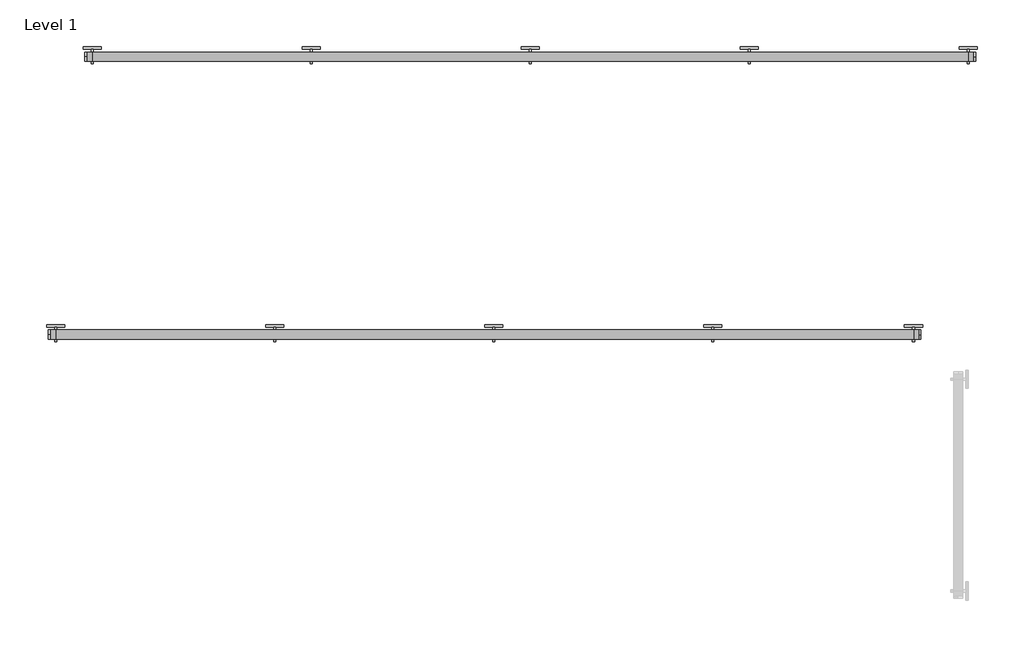
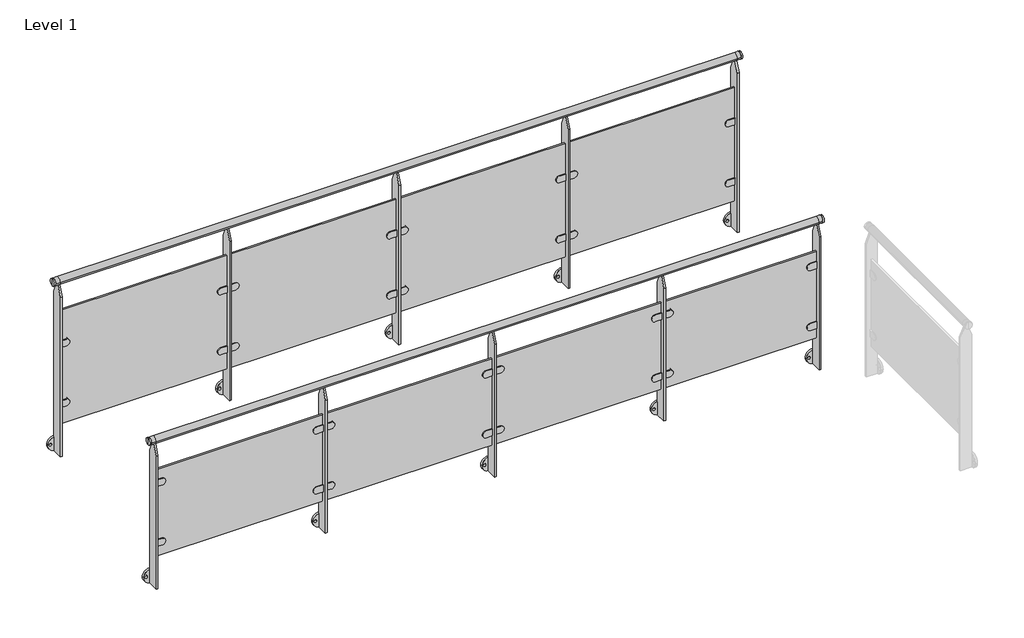
# One storey, part 1 of 16: 2 railings.
"""IFC4 building model written with IfcOpenShell, lengths in millimetres."""

from ifc_helpers import new_model, si_unit, point, frame, frame_2d, origin, place, context, project, spatial, polyline, circle_curve, trimmed, segment, composite_curve, outline, extrude, element, save
from ifc_brep_helpers import plane_surface, cylinder_surface, advanced_brep

model = new_model("IFC4")

# Units and contexts
model_context = context("Model", 3, world=origin())
ifc_project = project(units=[si_unit("LENGTHUNIT", "METRE", prefix="MILLI")], contexts=[model_context])

# Site, building, storey
site = spatial("IfcSite", under=ifc_project)
building = spatial("IfcBuilding", under=site)
storey = spatial("IfcBuildingStorey", under=building, Name="Level 1", Elevation=0.0)

# Railings
placement = place(None, origin())
element("IfcRailing", 1, at=placement, inside=storey, context=model_context, shape_type="SolidModel", body=[
    advanced_brep(
    [(24390.6479588, -13213.253682, 975.0), (24390.6479588, -13213.253682, 1000.0), (24390.6479588, -13213.253682, 950.0), (24400.6479588, -13213.253682, 950.0), (24400.6479588, -13213.253682, 1000.0), (24400.6479588, -13213.253682, 975.0)],
    [
        (0, 1),
        (1, 2, circle_curve(frame((24390.6479588, -13213.253682, 975.0), z_axis=(-1.0, 0.0, 0.0), x_axis=(0.0, 0.0, 1.0)), 25.0)),
        (2, 0),
        (2, 1, circle_curve(frame((24390.6479588, -13213.253682, 975.0), z_axis=(-1.0, 0.0, 0.0), x_axis=(0.0, 0.0, 1.0)), 25.0)),
        (3, 4, circle_curve(frame((24400.6479588, -13213.253682, 975.0), z_axis=(1.0, 0.0, 0.0), x_axis=(0.0, 0.0, 1.0)), 25.0)),
        (4, 5),
        (5, 3),
        (4, 3, circle_curve(frame((24400.6479588, -13213.253682, 975.0), z_axis=(1.0, 0.0, 0.0), x_axis=(0.0, 0.0, 1.0)), 25.0)),
        (1, 4),
        (3, 2),
    ],
    [
        plane_surface(frame((24390.6479588, -13213.253682, 975.0), z_axis=(-1.0, 0.0, 0.0), x_axis=(0.0, 0.0, 1.0))),
        plane_surface(frame((24400.6479588, -13213.253682, 975.0), z_axis=(1.0, 0.0, 0.0), x_axis=(0.0, 0.0, 1.0))),
        cylinder_surface(frame((24375.6479588, -13213.253682, 975.0), z_axis=(-1.0, 0.0, 0.0), x_axis=(0.0, 0.0, 1.0)), 25.0),
    ],
    [
        (0, [[1, 2, 3]]),
        (0, [[-3, 4, -1]]),
        (1, [[5, 6, 7]]),
        (1, [[8, -7, -6]]),
        (2, [[-2, 9, -5, 10]]),
        (2, [[-4, -10, -8, -9]]),
    ],
),
    advanced_brep(
    [(19630.6479588, -13213.253682, 975.0), (19630.6479588, -13213.253682, 1000.0), (19630.6479588, -13213.253682, 950.0), (19620.6479588, -13213.253682, 950.0), (19620.6479588, -13213.253682, 1000.0), (19620.6479588, -13213.253682, 975.0)],
    [
        (0, 1),
        (1, 2, circle_curve(frame((19630.6479588, -13213.253682, 975.0), z_axis=(1.0, 0.0, 0.0), x_axis=(0.0, 0.0, 1.0)), 25.0)),
        (2, 0),
        (2, 1, circle_curve(frame((19630.6479588, -13213.253682, 975.0), z_axis=(1.0, 0.0, 0.0), x_axis=(0.0, 0.0, 1.0)), 25.0)),
        (3, 4, circle_curve(frame((19620.6479588, -13213.253682, 975.0), z_axis=(-1.0, 0.0, 0.0), x_axis=(0.0, 0.0, 1.0)), 25.0)),
        (4, 5),
        (5, 3),
        (4, 3, circle_curve(frame((19620.6479588, -13213.253682, 975.0), z_axis=(-1.0, 0.0, 0.0), x_axis=(0.0, 0.0, 1.0)), 25.0)),
        (1, 4),
        (3, 2),
    ],
    [
        plane_surface(frame((19630.6479588, -13213.253682, 975.0), z_axis=(1.0, 0.0, 0.0), x_axis=(0.0, 0.0, 1.0))),
        plane_surface(frame((19620.6479588, -13213.253682, 975.0), z_axis=(-1.0, 0.0, 0.0), x_axis=(0.0, 0.0, 1.0))),
        cylinder_surface(frame((19645.6479588, -13213.253682, 975.0), z_axis=(1.0, 0.0, 0.0), x_axis=(0.0, 0.0, 1.0)), 25.0),
    ],
    [
        (0, [[1, 2, 3]]),
        (0, [[-3, 4, -1]]),
        (1, [[5, 6, 7]]),
        (1, [[8, -7, -6]]),
        (2, [[-2, 9, -5, 10]]),
        (2, [[-4, -10, -8, -9]]),
    ],
),
    advanced_brep(
    [(19630.6479588, -13238.253682, 975.0), (19630.6479588, -13188.253682, 975.0), (19660.6479588, -13238.253682, 975.0), (19660.6479588, -13188.253682, 975.0), (24360.6479588, -13238.253682, 975.0), (24360.6479588, -13188.253682, 975.0), (24390.6479588, -13238.253682, 975.0), (24390.6479588, -13188.253682, 975.0)],
    [
        (0, 1, circle_curve(frame((19630.6479588, -13213.253682, 975.0), z_axis=(-1.0, 0.0, 0.0), x_axis=(0.0, 1.0, 0.0)), 25.0)),
        (1, 0, circle_curve(frame((19630.6479588, -13213.253682, 975.0), z_axis=(-1.0, 0.0, 0.0), x_axis=(0.0, 1.0, 0.0)), 25.0)),
        (0, 2),
        (2, 3, circle_curve(frame((19660.6479588, -13213.253682, 975.0), z_axis=(-1.0, 0.0, 0.0), x_axis=(0.0, 1.0, 0.0)), 25.0)),
        (3, 1),
        (3, 2, circle_curve(frame((19660.6479588, -13213.253682, 975.0), z_axis=(-1.0, 0.0, 0.0), x_axis=(0.0, 1.0, 0.0)), 25.0)),
        (2, 4),
        (4, 5, circle_curve(frame((24360.6479588, -13213.253682, 975.0), z_axis=(-1.0, 0.0, 0.0), x_axis=(0.0, 1.0, 0.0)), 25.0)),
        (5, 3),
        (5, 4, circle_curve(frame((24360.6479588, -13213.253682, 975.0), z_axis=(-1.0, 0.0, 0.0), x_axis=(0.0, 1.0, 0.0)), 25.0)),
        (6, 7, circle_curve(frame((24390.6479588, -13213.253682, 975.0), z_axis=(1.0, 0.0, 0.0), x_axis=(0.0, 1.0, 0.0)), 25.0)),
        (7, 6, circle_curve(frame((24390.6479588, -13213.253682, 975.0), z_axis=(1.0, 0.0, 0.0), x_axis=(0.0, 1.0, 0.0)), 25.0)),
        (4, 6),
        (7, 5),
    ],
    [
        plane_surface(frame((19630.6479588, -13213.253682, 1000.0), z_axis=(-1.0, 0.0, 0.0), x_axis=(0.0, 1.0, 0.0))),
        cylinder_surface(frame((19630.6479588, -13213.253682, 975.0), z_axis=(-1.0, 0.0, 0.0), x_axis=(0.0, 1.0, 0.0)), 25.0),
        cylinder_surface(frame((19660.6479588, -13213.253682, 975.0), z_axis=(-1.0, 0.0, 0.0), x_axis=(0.0, 1.0, 0.0)), 25.0),
        plane_surface(frame((24390.6479588, -13213.253682, 1000.0), z_axis=(1.0, 0.0, 0.0), x_axis=(0.0, 1.0, 0.0))),
        cylinder_surface(frame((24360.6479588, -13213.253682, 975.0), z_axis=(-1.0, 0.0, 0.0), x_axis=(0.0, 1.0, 0.0)), 25.0),
    ],
    [
        (0, [[1, 2]]),
        (1, [[-1, 3, 4, 5]]),
        (1, [[-2, -5, 6, -3]]),
        (2, [[-4, 7, 8, 9]]),
        (2, [[-6, -9, 10, -7]]),
        (3, [[11, 12]]),
        (4, [[-8, 13, -12, 14]]),
        (4, [[-10, -14, -11, -13]]),
    ],
),
    extrude(outline(polyline([(19660.6479588, -13219.253682), (19660.6479588, -13207.253682), (24360.6479588, -13207.253682), (24360.6479588, -13219.253682), (19660.6479588, -13219.253682)])), frame((0.0, 0.0, 100.0), z_axis=(0.0, 0.0, 1.0), x_axis=(1.0, 0.0, 0.0)), (0.0, 0.0, 1.0), 650.0),
    extrude(outline(composite_curve([segment(trimmed(circle_curve(frame_2d((200.0, 23311.6479588)), 25.0), [point((175.0, 23311.6479588))], [point((225.0, 23311.6479588))], False, "CARTESIAN"), True, "CONTINUOUS"), segment(polyline([(225.0, 23311.6479588), (225.0, 23266.6479588), (175.0, 23266.6479588), (175.0, 23311.6479588)]), True, "CONTINUOUS")], self_intersect=False)), frame((0.0, -13225.9937932, 0.0), z_axis=(0.0, 1.0, 0.0), x_axis=(0.0, 0.0, 1.0)), (0.0, 0.0, 1.0), 25.4802223),
    extrude(outline(composite_curve([segment(trimmed(circle_curve(frame_2d((650.0, 23311.6479588)), 25.0), [point((625.0, 23311.6479588))], [point((675.0, 23311.6479588))], False, "CARTESIAN"), True, "CONTINUOUS"), segment(polyline([(675.0, 23311.6479588), (675.0, 23266.6479588), (625.0, 23266.6479588), (625.0, 23311.6479588)]), True, "CONTINUOUS")], self_intersect=False)), frame((0.0, -13225.9937932, 0.0), z_axis=(0.0, 1.0, 0.0), x_axis=(0.0, 0.0, 1.0)), (0.0, 0.0, 1.0), 25.4802223),
    extrude(outline(composite_curve([segment(polyline([(175.0, 23209.6479588), (175.0, 23254.6479588), (225.0, 23254.6479588), (225.0, 23209.6479588)]), True, "CONTINUOUS"), segment(trimmed(circle_curve(frame_2d((200.0, 23209.6479588)), 25.0), [point((225.0, 23209.6479588))], [point((175.0, 23209.6479588))], False, "CARTESIAN"), True, "CONTINUOUS")], self_intersect=False)), frame((0.0, -13225.9937932, 0.0), z_axis=(0.0, 1.0, 0.0), x_axis=(0.0, 0.0, 1.0)), (0.0, 0.0, 1.0), 25.4802223),
    extrude(outline(composite_curve([segment(polyline([(625.0, 23209.6479588), (625.0, 23254.6479588), (675.0, 23254.6479588), (675.0, 23209.6479588)]), True, "CONTINUOUS"), segment(trimmed(circle_curve(frame_2d((650.0, 23209.6479588)), 25.0), [point((675.0, 23209.6479588))], [point((625.0, 23209.6479588))], False, "CARTESIAN"), True, "CONTINUOUS")], self_intersect=False)), frame((0.0, -13225.9937932, 0.0), z_axis=(0.0, 1.0, 0.0), x_axis=(0.0, 0.0, 1.0)), (0.0, 0.0, 1.0), 25.4802223),
    extrude(outline(polyline([(-13253.253682, -120.0), (-13253.253682, 875.0), (-13223.253682, 950.0), (-13203.253682, 950.0), (-13173.253682, 875.0), (-13173.253682, -120.0), (-13253.253682, -120.0)])), frame((23254.6479588, 0.0, 0.0), z_axis=(1.0, 0.0, 0.0), x_axis=(0.0, 1.0, 0.0)), (0.0, 0.0, 1.0), 12.0),
    extrude(outline(composite_curve([segment(trimmed(circle_curve(frame_2d((-70.0, 23260.6479588)), 50.0), [point((-70.0, 23310.6479588))], [point((-70.0, 23210.6479588))], False, "CARTESIAN"), True, "CONTINUOUS"), segment(trimmed(circle_curve(frame_2d((-70.0, 23260.6479588)), 50.0), [point((-70.0, 23210.6479588))], [point((-70.0, 23310.6479588))], False, "CARTESIAN"), True, "CONTINUOUS")], self_intersect=False), holes=[composite_curve([segment(trimmed(circle_curve(frame_2d((-70.0, 23291.6479588)), 9.0), [point((-70.0, 23300.6479588))], [point((-70.0, 23282.6479588))], True, "CARTESIAN"), True, "CONTINUOUS"), segment(trimmed(circle_curve(frame_2d((-70.0, 23291.6479588)), 9.0), [point((-70.0, 23282.6479588))], [point((-70.0, 23300.6479588))], True, "CARTESIAN"), True, "CONTINUOUS")], self_intersect=False), composite_curve([segment(trimmed(circle_curve(frame_2d((-70.0, 23229.6479588)), 9.0), [point((-70.0, 23238.6479588))], [point((-70.0, 23220.6479588))], True, "CARTESIAN"), True, "CONTINUOUS"), segment(trimmed(circle_curve(frame_2d((-70.0, 23229.6479588)), 9.0), [point((-70.0, 23220.6479588))], [point((-70.0, 23238.6479588))], True, "CARTESIAN"), True, "CONTINUOUS")], self_intersect=False)]), frame((0.0, -13173.253682, 0.0), z_axis=(0.0, 1.0, 0.0), x_axis=(0.0, 0.0, 1.0)), (0.0, 0.0, 1.0), 15.0),
    extrude(outline(composite_curve([segment(trimmed(circle_curve(frame_2d((200.0, 22111.6479588)), 25.0), [point((175.0, 22111.6479588))], [point((225.0, 22111.6479588))], False, "CARTESIAN"), True, "CONTINUOUS"), segment(polyline([(225.0, 22111.6479588), (225.0, 22066.6479588), (175.0, 22066.6479588), (175.0, 22111.6479588)]), True, "CONTINUOUS")], self_intersect=False)), frame((0.0, -13225.9937932, 0.0), z_axis=(0.0, 1.0, 0.0), x_axis=(0.0, 0.0, 1.0)), (0.0, 0.0, 1.0), 25.4802223),
    extrude(outline(composite_curve([segment(trimmed(circle_curve(frame_2d((650.0, 22111.6479588)), 25.0), [point((625.0, 22111.6479588))], [point((675.0, 22111.6479588))], False, "CARTESIAN"), True, "CONTINUOUS"), segment(polyline([(675.0, 22111.6479588), (675.0, 22066.6479588), (625.0, 22066.6479588), (625.0, 22111.6479588)]), True, "CONTINUOUS")], self_intersect=False)), frame((0.0, -13225.9937932, 0.0), z_axis=(0.0, 1.0, 0.0), x_axis=(0.0, 0.0, 1.0)), (0.0, 0.0, 1.0), 25.4802223),
    extrude(outline(composite_curve([segment(polyline([(175.0, 22009.6479588), (175.0, 22054.6479588), (225.0, 22054.6479588), (225.0, 22009.6479588)]), True, "CONTINUOUS"), segment(trimmed(circle_curve(frame_2d((200.0, 22009.6479588)), 25.0), [point((225.0, 22009.6479588))], [point((175.0, 22009.6479588))], False, "CARTESIAN"), True, "CONTINUOUS")], self_intersect=False)), frame((0.0, -13225.9937932, 0.0), z_axis=(0.0, 1.0, 0.0), x_axis=(0.0, 0.0, 1.0)), (0.0, 0.0, 1.0), 25.4802223),
    extrude(outline(composite_curve([segment(polyline([(625.0, 22009.6479588), (625.0, 22054.6479588), (675.0, 22054.6479588), (675.0, 22009.6479588)]), True, "CONTINUOUS"), segment(trimmed(circle_curve(frame_2d((650.0, 22009.6479588)), 25.0), [point((675.0, 22009.6479588))], [point((625.0, 22009.6479588))], False, "CARTESIAN"), True, "CONTINUOUS")], self_intersect=False)), frame((0.0, -13225.9937932, 0.0), z_axis=(0.0, 1.0, 0.0), x_axis=(0.0, 0.0, 1.0)), (0.0, 0.0, 1.0), 25.4802223),
    extrude(outline(polyline([(-13253.253682, -120.0), (-13253.253682, 875.0), (-13223.253682, 950.0), (-13203.253682, 950.0), (-13173.253682, 875.0), (-13173.253682, -120.0), (-13253.253682, -120.0)])), frame((22054.6479588, 0.0, 0.0), z_axis=(1.0, 0.0, 0.0), x_axis=(0.0, 1.0, 0.0)), (0.0, 0.0, 1.0), 12.0),
    extrude(outline(composite_curve([segment(trimmed(circle_curve(frame_2d((-70.0, 22060.6479588)), 50.0), [point((-70.0, 22110.6479588))], [point((-70.0, 22010.6479588))], False, "CARTESIAN"), True, "CONTINUOUS"), segment(trimmed(circle_curve(frame_2d((-70.0, 22060.6479588)), 50.0), [point((-70.0, 22010.6479588))], [point((-70.0, 22110.6479588))], False, "CARTESIAN"), True, "CONTINUOUS")], self_intersect=False), holes=[composite_curve([segment(trimmed(circle_curve(frame_2d((-70.0, 22091.6479588)), 9.0), [point((-70.0, 22100.6479588))], [point((-70.0, 22082.6479588))], True, "CARTESIAN"), True, "CONTINUOUS"), segment(trimmed(circle_curve(frame_2d((-70.0, 22091.6479588)), 9.0), [point((-70.0, 22082.6479588))], [point((-70.0, 22100.6479588))], True, "CARTESIAN"), True, "CONTINUOUS")], self_intersect=False), composite_curve([segment(trimmed(circle_curve(frame_2d((-70.0, 22029.6479588)), 9.0), [point((-70.0, 22038.6479588))], [point((-70.0, 22020.6479588))], True, "CARTESIAN"), True, "CONTINUOUS"), segment(trimmed(circle_curve(frame_2d((-70.0, 22029.6479588)), 9.0), [point((-70.0, 22020.6479588))], [point((-70.0, 22038.6479588))], True, "CARTESIAN"), True, "CONTINUOUS")], self_intersect=False)]), frame((0.0, -13173.253682, 0.0), z_axis=(0.0, 1.0, 0.0), x_axis=(0.0, 0.0, 1.0)), (0.0, 0.0, 1.0), 15.0),
    extrude(outline(composite_curve([segment(trimmed(circle_curve(frame_2d((200.0, 20911.6479588)), 25.0), [point((175.0, 20911.6479588))], [point((225.0, 20911.6479588))], False, "CARTESIAN"), True, "CONTINUOUS"), segment(polyline([(225.0, 20911.6479588), (225.0, 20866.6479588), (175.0, 20866.6479588), (175.0, 20911.6479588)]), True, "CONTINUOUS")], self_intersect=False)), frame((0.0, -13225.9937932, 0.0), z_axis=(0.0, 1.0, 0.0), x_axis=(0.0, 0.0, 1.0)), (0.0, 0.0, 1.0), 25.4802223),
    extrude(outline(composite_curve([segment(trimmed(circle_curve(frame_2d((650.0, 20911.6479588)), 25.0), [point((625.0, 20911.6479588))], [point((675.0, 20911.6479588))], False, "CARTESIAN"), True, "CONTINUOUS"), segment(polyline([(675.0, 20911.6479588), (675.0, 20866.6479588), (625.0, 20866.6479588), (625.0, 20911.6479588)]), True, "CONTINUOUS")], self_intersect=False)), frame((0.0, -13225.9937932, 0.0), z_axis=(0.0, 1.0, 0.0), x_axis=(0.0, 0.0, 1.0)), (0.0, 0.0, 1.0), 25.4802223),
    extrude(outline(composite_curve([segment(polyline([(175.0, 20809.6479588), (175.0, 20854.6479588), (225.0, 20854.6479588), (225.0, 20809.6479588)]), True, "CONTINUOUS"), segment(trimmed(circle_curve(frame_2d((200.0, 20809.6479588)), 25.0), [point((225.0, 20809.6479588))], [point((175.0, 20809.6479588))], False, "CARTESIAN"), True, "CONTINUOUS")], self_intersect=False)), frame((0.0, -13225.9937932, 0.0), z_axis=(0.0, 1.0, 0.0), x_axis=(0.0, 0.0, 1.0)), (0.0, 0.0, 1.0), 25.4802223),
    extrude(outline(composite_curve([segment(polyline([(625.0, 20809.6479588), (625.0, 20854.6479588), (675.0, 20854.6479588), (675.0, 20809.6479588)]), True, "CONTINUOUS"), segment(trimmed(circle_curve(frame_2d((650.0, 20809.6479588)), 25.0), [point((675.0, 20809.6479588))], [point((625.0, 20809.6479588))], False, "CARTESIAN"), True, "CONTINUOUS")], self_intersect=False)), frame((0.0, -13225.9937932, 0.0), z_axis=(0.0, 1.0, 0.0), x_axis=(0.0, 0.0, 1.0)), (0.0, 0.0, 1.0), 25.4802223),
    extrude(outline(polyline([(-13253.253682, -120.0), (-13253.253682, 875.0), (-13223.253682, 950.0), (-13203.253682, 950.0), (-13173.253682, 875.0), (-13173.253682, -120.0), (-13253.253682, -120.0)])), frame((20854.6479588, 0.0, 0.0), z_axis=(1.0, 0.0, 0.0), x_axis=(0.0, 1.0, 0.0)), (0.0, 0.0, 1.0), 12.0),
    extrude(outline(composite_curve([segment(trimmed(circle_curve(frame_2d((-70.0, 20860.6479588)), 50.0), [point((-70.0, 20910.6479588))], [point((-70.0, 20810.6479588))], False, "CARTESIAN"), True, "CONTINUOUS"), segment(trimmed(circle_curve(frame_2d((-70.0, 20860.6479588)), 50.0), [point((-70.0, 20810.6479588))], [point((-70.0, 20910.6479588))], False, "CARTESIAN"), True, "CONTINUOUS")], self_intersect=False), holes=[composite_curve([segment(trimmed(circle_curve(frame_2d((-70.0, 20891.6479588)), 9.0), [point((-70.0, 20900.6479588))], [point((-70.0, 20882.6479588))], True, "CARTESIAN"), True, "CONTINUOUS"), segment(trimmed(circle_curve(frame_2d((-70.0, 20891.6479588)), 9.0), [point((-70.0, 20882.6479588))], [point((-70.0, 20900.6479588))], True, "CARTESIAN"), True, "CONTINUOUS")], self_intersect=False), composite_curve([segment(trimmed(circle_curve(frame_2d((-70.0, 20829.6479588)), 9.0), [point((-70.0, 20838.6479588))], [point((-70.0, 20820.6479588))], True, "CARTESIAN"), True, "CONTINUOUS"), segment(trimmed(circle_curve(frame_2d((-70.0, 20829.6479588)), 9.0), [point((-70.0, 20820.6479588))], [point((-70.0, 20838.6479588))], True, "CARTESIAN"), True, "CONTINUOUS")], self_intersect=False)]), frame((0.0, -13173.253682, 0.0), z_axis=(0.0, 1.0, 0.0), x_axis=(0.0, 0.0, 1.0)), (0.0, 0.0, 1.0), 15.0),
    extrude(outline(composite_curve([segment(polyline([(175.0, 24309.6479588), (175.0, 24354.6479588), (225.0, 24354.6479588), (225.0, 24309.6479588)]), True, "CONTINUOUS"), segment(trimmed(circle_curve(frame_2d((200.0, 24309.6479588)), 25.0), [point((225.0, 24309.6479588))], [point((175.0, 24309.6479588))], False, "CARTESIAN"), True, "CONTINUOUS")], self_intersect=False)), frame((0.0, -13225.9937932, 0.0), z_axis=(0.0, 1.0, 0.0), x_axis=(0.0, 0.0, 1.0)), (0.0, 0.0, 1.0), 25.4802223),
    extrude(outline(composite_curve([segment(polyline([(625.0, 24309.6479588), (625.0, 24354.6479588), (675.0, 24354.6479588), (675.0, 24309.6479588)]), True, "CONTINUOUS"), segment(trimmed(circle_curve(frame_2d((650.0, 24309.6479588)), 25.0), [point((675.0, 24309.6479588))], [point((625.0, 24309.6479588))], False, "CARTESIAN"), True, "CONTINUOUS")], self_intersect=False)), frame((0.0, -13225.9937932, 0.0), z_axis=(0.0, 1.0, 0.0), x_axis=(0.0, 0.0, 1.0)), (0.0, 0.0, 1.0), 25.4802223),
    extrude(outline(polyline([(-13253.253682, -120.0), (-13253.253682, 875.0), (-13223.253682, 950.0), (-13203.253682, 950.0), (-13173.253682, 875.0), (-13173.253682, -120.0), (-13253.253682, -120.0)])), frame((24354.6479588, 0.0, 0.0), z_axis=(1.0, 0.0, 0.0), x_axis=(0.0, 1.0, 0.0)), (0.0, 0.0, 1.0), 12.0),
    extrude(outline(composite_curve([segment(trimmed(circle_curve(frame_2d((-70.0, 24360.6479588)), 50.0), [point((-70.0, 24410.6479588))], [point((-70.0, 24310.6479588))], False, "CARTESIAN"), True, "CONTINUOUS"), segment(trimmed(circle_curve(frame_2d((-70.0, 24360.6479588)), 50.0), [point((-70.0, 24310.6479588))], [point((-70.0, 24410.6479588))], False, "CARTESIAN"), True, "CONTINUOUS")], self_intersect=False), holes=[composite_curve([segment(trimmed(circle_curve(frame_2d((-70.0, 24391.6479588)), 9.0), [point((-70.0, 24400.6479588))], [point((-70.0, 24382.6479588))], True, "CARTESIAN"), True, "CONTINUOUS"), segment(trimmed(circle_curve(frame_2d((-70.0, 24391.6479588)), 9.0), [point((-70.0, 24382.6479588))], [point((-70.0, 24400.6479588))], True, "CARTESIAN"), True, "CONTINUOUS")], self_intersect=False), composite_curve([segment(trimmed(circle_curve(frame_2d((-70.0, 24329.6479588)), 9.0), [point((-70.0, 24338.6479588))], [point((-70.0, 24320.6479588))], True, "CARTESIAN"), True, "CONTINUOUS"), segment(trimmed(circle_curve(frame_2d((-70.0, 24329.6479588)), 9.0), [point((-70.0, 24320.6479588))], [point((-70.0, 24338.6479588))], True, "CARTESIAN"), True, "CONTINUOUS")], self_intersect=False)]), frame((0.0, -13173.253682, 0.0), z_axis=(0.0, 1.0, 0.0), x_axis=(0.0, 0.0, 1.0)), (0.0, 0.0, 1.0), 15.0),
    extrude(outline(composite_curve([segment(trimmed(circle_curve(frame_2d((200.0, 19711.6479588)), 25.0), [point((175.0, 19711.6479588))], [point((225.0, 19711.6479588))], False, "CARTESIAN"), True, "CONTINUOUS"), segment(polyline([(225.0, 19711.6479588), (225.0, 19666.6479588), (175.0, 19666.6479588), (175.0, 19711.6479588)]), True, "CONTINUOUS")], self_intersect=False)), frame((0.0, -13225.9937932, 0.0), z_axis=(0.0, 1.0, 0.0), x_axis=(0.0, 0.0, 1.0)), (0.0, 0.0, 1.0), 25.4802223),
    extrude(outline(composite_curve([segment(trimmed(circle_curve(frame_2d((650.0, 19711.6479588)), 25.0), [point((625.0, 19711.6479588))], [point((675.0, 19711.6479588))], False, "CARTESIAN"), True, "CONTINUOUS"), segment(polyline([(675.0, 19711.6479588), (675.0, 19666.6479588), (625.0, 19666.6479588), (625.0, 19711.6479588)]), True, "CONTINUOUS")], self_intersect=False)), frame((0.0, -13225.9937932, 0.0), z_axis=(0.0, 1.0, 0.0), x_axis=(0.0, 0.0, 1.0)), (0.0, 0.0, 1.0), 25.4802223),
    extrude(outline(polyline([(-13253.253682, -120.0), (-13253.253682, 875.0), (-13223.253682, 950.0), (-13203.253682, 950.0), (-13173.253682, 875.0), (-13173.253682, -120.0), (-13253.253682, -120.0)])), frame((19654.6479588, 0.0, 0.0), z_axis=(1.0, 0.0, 0.0), x_axis=(0.0, 1.0, 0.0)), (0.0, 0.0, 1.0), 12.0),
    extrude(outline(composite_curve([segment(trimmed(circle_curve(frame_2d((-70.0, 19660.6479588)), 50.0), [point((-70.0, 19710.6479588))], [point((-70.0, 19610.6479588))], False, "CARTESIAN"), True, "CONTINUOUS"), segment(trimmed(circle_curve(frame_2d((-70.0, 19660.6479588)), 50.0), [point((-70.0, 19610.6479588))], [point((-70.0, 19710.6479588))], False, "CARTESIAN"), True, "CONTINUOUS")], self_intersect=False), holes=[composite_curve([segment(trimmed(circle_curve(frame_2d((-70.0, 19691.6479588)), 9.0), [point((-70.0, 19700.6479588))], [point((-70.0, 19682.6479588))], True, "CARTESIAN"), True, "CONTINUOUS"), segment(trimmed(circle_curve(frame_2d((-70.0, 19691.6479588)), 9.0), [point((-70.0, 19682.6479588))], [point((-70.0, 19700.6479588))], True, "CARTESIAN"), True, "CONTINUOUS")], self_intersect=False), composite_curve([segment(trimmed(circle_curve(frame_2d((-70.0, 19629.6479588)), 9.0), [point((-70.0, 19638.6479588))], [point((-70.0, 19620.6479588))], True, "CARTESIAN"), True, "CONTINUOUS"), segment(trimmed(circle_curve(frame_2d((-70.0, 19629.6479588)), 9.0), [point((-70.0, 19620.6479588))], [point((-70.0, 19638.6479588))], True, "CARTESIAN"), True, "CONTINUOUS")], self_intersect=False)]), frame((0.0, -13173.253682, 0.0), z_axis=(0.0, 1.0, 0.0), x_axis=(0.0, 0.0, 1.0)), (0.0, 0.0, 1.0), 15.0),
])
element("IfcRailing", 2, at=placement, inside=storey, context=model_context, shape_type="SolidModel", body=[
    advanced_brep(
    [(24690.6479588, -11690.6687579, 1175.0), (24690.6479588, -11690.6687579, 1200.0), (24690.6479588, -11690.6687579, 1150.0), (24700.6479588, -11690.6687579, 1150.0), (24700.6479588, -11690.6687579, 1200.0), (24700.6479588, -11690.6687579, 1175.0)],
    [
        (0, 1),
        (1, 2, circle_curve(frame((24690.6479588, -11690.6687579, 1175.0), z_axis=(-1.0, 0.0, 0.0), x_axis=(0.0, 0.0, 1.0)), 25.0)),
        (2, 0),
        (2, 1, circle_curve(frame((24690.6479588, -11690.6687579, 1175.0), z_axis=(-1.0, 0.0, 0.0), x_axis=(0.0, 0.0, 1.0)), 25.0)),
        (3, 4, circle_curve(frame((24700.6479588, -11690.6687579, 1175.0), z_axis=(1.0, 0.0, 0.0), x_axis=(0.0, 0.0, 1.0)), 25.0)),
        (4, 5),
        (5, 3),
        (4, 3, circle_curve(frame((24700.6479588, -11690.6687579, 1175.0), z_axis=(1.0, 0.0, 0.0), x_axis=(0.0, 0.0, 1.0)), 25.0)),
        (1, 4),
        (3, 2),
    ],
    [
        plane_surface(frame((24690.6479588, -11690.6687579, 1175.0), z_axis=(-1.0, 0.0, 0.0), x_axis=(0.0, 0.0, 1.0))),
        plane_surface(frame((24700.6479588, -11690.6687579, 1175.0), z_axis=(1.0, 0.0, 0.0), x_axis=(0.0, 0.0, 1.0))),
        cylinder_surface(frame((24675.6479588, -11690.6687579, 1175.0), z_axis=(-1.0, 0.0, 0.0), x_axis=(0.0, 0.0, 1.0)), 25.0),
    ],
    [
        (0, [[1, 2, 3]]),
        (0, [[-3, 4, -1]]),
        (1, [[5, 6, 7]]),
        (1, [[8, -7, -6]]),
        (2, [[-2, 9, -5, 10]]),
        (2, [[-4, -10, -8, -9]]),
    ],
),
    advanced_brep(
    [(19830.6479588, -11690.6687579, 1175.0), (19830.6479588, -11690.6687579, 1200.0), (19830.6479588, -11690.6687579, 1150.0), (19820.6479588, -11690.6687579, 1150.0), (19820.6479588, -11690.6687579, 1200.0), (19820.6479588, -11690.6687579, 1175.0)],
    [
        (0, 1),
        (1, 2, circle_curve(frame((19830.6479588, -11690.6687579, 1175.0), z_axis=(1.0, 0.0, 0.0), x_axis=(0.0, 0.0, 1.0)), 25.0)),
        (2, 0),
        (2, 1, circle_curve(frame((19830.6479588, -11690.6687579, 1175.0), z_axis=(1.0, 0.0, 0.0), x_axis=(0.0, 0.0, 1.0)), 25.0)),
        (3, 4, circle_curve(frame((19820.6479588, -11690.6687579, 1175.0), z_axis=(-1.0, 0.0, 0.0), x_axis=(0.0, 0.0, 1.0)), 25.0)),
        (4, 5),
        (5, 3),
        (4, 3, circle_curve(frame((19820.6479588, -11690.6687579, 1175.0), z_axis=(-1.0, 0.0, 0.0), x_axis=(0.0, 0.0, 1.0)), 25.0)),
        (1, 4),
        (3, 2),
    ],
    [
        plane_surface(frame((19830.6479588, -11690.6687579, 1175.0), z_axis=(1.0, 0.0, 0.0), x_axis=(0.0, 0.0, 1.0))),
        plane_surface(frame((19820.6479588, -11690.6687579, 1175.0), z_axis=(-1.0, 0.0, 0.0), x_axis=(0.0, 0.0, 1.0))),
        cylinder_surface(frame((19845.6479588, -11690.6687579, 1175.0), z_axis=(1.0, 0.0, 0.0), x_axis=(0.0, 0.0, 1.0)), 25.0),
    ],
    [
        (0, [[1, 2, 3]]),
        (0, [[-3, 4, -1]]),
        (1, [[5, 6, 7]]),
        (1, [[8, -7, -6]]),
        (2, [[-2, 9, -5, 10]]),
        (2, [[-4, -10, -8, -9]]),
    ],
),
    advanced_brep(
    [(19830.6479588, -11715.6687579, 1175.0), (19830.6479588, -11665.6687579, 1175.0), (19860.6479588, -11715.6687579, 1175.0), (19860.6479588, -11665.6687579, 1175.0), (24660.6479588, -11715.6687579, 1175.0), (24660.6479588, -11665.6687579, 1175.0), (24690.6479588, -11715.6687579, 1175.0), (24690.6479588, -11665.6687579, 1175.0)],
    [
        (0, 1, circle_curve(frame((19830.6479588, -11690.6687579, 1175.0), z_axis=(-1.0, 0.0, 0.0), x_axis=(0.0, 1.0, 0.0)), 25.0)),
        (1, 0, circle_curve(frame((19830.6479588, -11690.6687579, 1175.0), z_axis=(-1.0, 0.0, 0.0), x_axis=(0.0, 1.0, 0.0)), 25.0)),
        (0, 2),
        (2, 3, circle_curve(frame((19860.6479588, -11690.6687579, 1175.0), z_axis=(-1.0, 0.0, 0.0), x_axis=(0.0, 1.0, 0.0)), 25.0)),
        (3, 1),
        (3, 2, circle_curve(frame((19860.6479588, -11690.6687579, 1175.0), z_axis=(-1.0, 0.0, 0.0), x_axis=(0.0, 1.0, 0.0)), 25.0)),
        (2, 4),
        (4, 5, circle_curve(frame((24660.6479588, -11690.6687579, 1175.0), z_axis=(-1.0, 0.0, 0.0), x_axis=(0.0, 1.0, 0.0)), 25.0)),
        (5, 3),
        (5, 4, circle_curve(frame((24660.6479588, -11690.6687579, 1175.0), z_axis=(-1.0, 0.0, 0.0), x_axis=(0.0, 1.0, 0.0)), 25.0)),
        (6, 7, circle_curve(frame((24690.6479588, -11690.6687579, 1175.0), z_axis=(1.0, 0.0, 0.0), x_axis=(0.0, 1.0, 0.0)), 25.0)),
        (7, 6, circle_curve(frame((24690.6479588, -11690.6687579, 1175.0), z_axis=(1.0, 0.0, 0.0), x_axis=(0.0, 1.0, 0.0)), 25.0)),
        (4, 6),
        (7, 5),
    ],
    [
        plane_surface(frame((19830.6479588, -11690.6687579, 1200.0), z_axis=(-1.0, 0.0, 0.0), x_axis=(0.0, 1.0, 0.0))),
        cylinder_surface(frame((19830.6479588, -11690.6687579, 1175.0), z_axis=(-1.0, 0.0, 0.0), x_axis=(0.0, 1.0, 0.0)), 25.0),
        cylinder_surface(frame((19860.6479588, -11690.6687579, 1175.0), z_axis=(-1.0, 0.0, 0.0), x_axis=(0.0, 1.0, 0.0)), 25.0),
        plane_surface(frame((24690.6479588, -11690.6687579, 1200.0), z_axis=(1.0, 0.0, 0.0), x_axis=(0.0, 1.0, 0.0))),
        cylinder_surface(frame((24660.6479588, -11690.6687579, 1175.0), z_axis=(-1.0, 0.0, 0.0), x_axis=(0.0, 1.0, 0.0)), 25.0),
    ],
    [
        (0, [[1, 2]]),
        (1, [[-1, 3, 4, 5]]),
        (1, [[-2, -5, 6, -3]]),
        (2, [[-4, 7, 8, 9]]),
        (2, [[-6, -9, 10, -7]]),
        (3, [[11, 12]]),
        (4, [[-8, 13, -12, 14]]),
        (4, [[-10, -14, -11, -13]]),
    ],
),
    extrude(outline(polyline([(19860.6479588, -11696.6687579), (19860.6479588, -11684.6687579), (24660.6479588, -11684.6687579), (24660.6479588, -11696.6687579), (19860.6479588, -11696.6687579)])), frame((0.0, 0.0, 100.0), z_axis=(0.0, 0.0, 1.0), x_axis=(1.0, 0.0, 0.0)), (0.0, 0.0, 1.0), 850.0),
    extrude(outline(composite_curve([segment(trimmed(circle_curve(frame_2d((250.0, 23511.6479588)), 25.0), [point((225.0, 23511.6479588))], [point((275.0, 23511.6479588))], False, "CARTESIAN"), True, "CONTINUOUS"), segment(polyline([(275.0, 23511.6479588), (275.0, 23466.6479588), (225.0, 23466.6479588), (225.0, 23511.6479588)]), True, "CONTINUOUS")], self_intersect=False)), frame((0.0, -11703.4088691, 0.0), z_axis=(0.0, 1.0, 0.0), x_axis=(0.0, 0.0, 1.0)), (0.0, 0.0, 1.0), 25.4802223),
    extrude(outline(composite_curve([segment(trimmed(circle_curve(frame_2d((700.0, 23511.6479588)), 25.0), [point((675.0, 23511.6479588))], [point((725.0, 23511.6479588))], False, "CARTESIAN"), True, "CONTINUOUS"), segment(polyline([(725.0, 23511.6479588), (725.0, 23466.6479588), (675.0, 23466.6479588), (675.0, 23511.6479588)]), True, "CONTINUOUS")], self_intersect=False)), frame((0.0, -11703.4088691, 0.0), z_axis=(0.0, 1.0, 0.0), x_axis=(0.0, 0.0, 1.0)), (0.0, 0.0, 1.0), 25.4802223),
    extrude(outline(composite_curve([segment(polyline([(225.0, 23409.6479588), (225.0, 23454.6479588), (275.0, 23454.6479588), (275.0, 23409.6479588)]), True, "CONTINUOUS"), segment(trimmed(circle_curve(frame_2d((250.0, 23409.6479588)), 25.0), [point((275.0, 23409.6479588))], [point((225.0, 23409.6479588))], False, "CARTESIAN"), True, "CONTINUOUS")], self_intersect=False)), frame((0.0, -11703.4088691, 0.0), z_axis=(0.0, 1.0, 0.0), x_axis=(0.0, 0.0, 1.0)), (0.0, 0.0, 1.0), 25.4802223),
    extrude(outline(composite_curve([segment(polyline([(675.0, 23409.6479588), (675.0, 23454.6479588), (725.0, 23454.6479588), (725.0, 23409.6479588)]), True, "CONTINUOUS"), segment(trimmed(circle_curve(frame_2d((700.0, 23409.6479588)), 25.0), [point((725.0, 23409.6479588))], [point((675.0, 23409.6479588))], False, "CARTESIAN"), True, "CONTINUOUS")], self_intersect=False)), frame((0.0, -11703.4088691, 0.0), z_axis=(0.0, 1.0, 0.0), x_axis=(0.0, 0.0, 1.0)), (0.0, 0.0, 1.0), 25.4802223),
    extrude(outline(polyline([(-11730.6687579, -120.0), (-11730.6687579, 1075.0), (-11700.6687579, 1150.0), (-11680.6687579, 1150.0), (-11650.6687579, 1075.0), (-11650.6687579, -120.0), (-11730.6687579, -120.0)])), frame((23454.6479588, 0.0, 0.0), z_axis=(1.0, 0.0, 0.0), x_axis=(0.0, 1.0, 0.0)), (0.0, 0.0, 1.0), 12.0),
    extrude(outline(composite_curve([segment(trimmed(circle_curve(frame_2d((-70.0, 23460.6479588)), 50.0), [point((-70.0, 23510.6479588))], [point((-70.0, 23410.6479588))], False, "CARTESIAN"), True, "CONTINUOUS"), segment(trimmed(circle_curve(frame_2d((-70.0, 23460.6479588)), 50.0), [point((-70.0, 23410.6479588))], [point((-70.0, 23510.6479588))], False, "CARTESIAN"), True, "CONTINUOUS")], self_intersect=False), holes=[composite_curve([segment(trimmed(circle_curve(frame_2d((-70.0, 23491.6479588)), 9.0), [point((-70.0, 23500.6479588))], [point((-70.0, 23482.6479588))], True, "CARTESIAN"), True, "CONTINUOUS"), segment(trimmed(circle_curve(frame_2d((-70.0, 23491.6479588)), 9.0), [point((-70.0, 23482.6479588))], [point((-70.0, 23500.6479588))], True, "CARTESIAN"), True, "CONTINUOUS")], self_intersect=False), composite_curve([segment(trimmed(circle_curve(frame_2d((-70.0, 23429.6479588)), 9.0), [point((-70.0, 23438.6479588))], [point((-70.0, 23420.6479588))], True, "CARTESIAN"), True, "CONTINUOUS"), segment(trimmed(circle_curve(frame_2d((-70.0, 23429.6479588)), 9.0), [point((-70.0, 23420.6479588))], [point((-70.0, 23438.6479588))], True, "CARTESIAN"), True, "CONTINUOUS")], self_intersect=False)]), frame((0.0, -11650.6687579, 0.0), z_axis=(0.0, 1.0, 0.0), x_axis=(0.0, 0.0, 1.0)), (0.0, 0.0, 1.0), 15.0),
    extrude(outline(composite_curve([segment(trimmed(circle_curve(frame_2d((250.0, 22311.6479588)), 25.0), [point((225.0, 22311.6479588))], [point((275.0, 22311.6479588))], False, "CARTESIAN"), True, "CONTINUOUS"), segment(polyline([(275.0, 22311.6479588), (275.0, 22266.6479588), (225.0, 22266.6479588), (225.0, 22311.6479588)]), True, "CONTINUOUS")], self_intersect=False)), frame((0.0, -11703.4088691, 0.0), z_axis=(0.0, 1.0, 0.0), x_axis=(0.0, 0.0, 1.0)), (0.0, 0.0, 1.0), 25.4802223),
    extrude(outline(composite_curve([segment(trimmed(circle_curve(frame_2d((700.0, 22311.6479588)), 25.0), [point((675.0, 22311.6479588))], [point((725.0, 22311.6479588))], False, "CARTESIAN"), True, "CONTINUOUS"), segment(polyline([(725.0, 22311.6479588), (725.0, 22266.6479588), (675.0, 22266.6479588), (675.0, 22311.6479588)]), True, "CONTINUOUS")], self_intersect=False)), frame((0.0, -11703.4088691, 0.0), z_axis=(0.0, 1.0, 0.0), x_axis=(0.0, 0.0, 1.0)), (0.0, 0.0, 1.0), 25.4802223),
    extrude(outline(composite_curve([segment(polyline([(225.0, 22209.6479588), (225.0, 22254.6479588), (275.0, 22254.6479588), (275.0, 22209.6479588)]), True, "CONTINUOUS"), segment(trimmed(circle_curve(frame_2d((250.0, 22209.6479588)), 25.0), [point((275.0, 22209.6479588))], [point((225.0, 22209.6479588))], False, "CARTESIAN"), True, "CONTINUOUS")], self_intersect=False)), frame((0.0, -11703.4088691, 0.0), z_axis=(0.0, 1.0, 0.0), x_axis=(0.0, 0.0, 1.0)), (0.0, 0.0, 1.0), 25.4802223),
    extrude(outline(composite_curve([segment(polyline([(675.0, 22209.6479588), (675.0, 22254.6479588), (725.0, 22254.6479588), (725.0, 22209.6479588)]), True, "CONTINUOUS"), segment(trimmed(circle_curve(frame_2d((700.0, 22209.6479588)), 25.0), [point((725.0, 22209.6479588))], [point((675.0, 22209.6479588))], False, "CARTESIAN"), True, "CONTINUOUS")], self_intersect=False)), frame((0.0, -11703.4088691, 0.0), z_axis=(0.0, 1.0, 0.0), x_axis=(0.0, 0.0, 1.0)), (0.0, 0.0, 1.0), 25.4802223),
    extrude(outline(polyline([(-11730.6687579, -120.0), (-11730.6687579, 1075.0), (-11700.6687579, 1150.0), (-11680.6687579, 1150.0), (-11650.6687579, 1075.0), (-11650.6687579, -120.0), (-11730.6687579, -120.0)])), frame((22254.6479588, 0.0, 0.0), z_axis=(1.0, 0.0, 0.0), x_axis=(0.0, 1.0, 0.0)), (0.0, 0.0, 1.0), 12.0),
    extrude(outline(composite_curve([segment(trimmed(circle_curve(frame_2d((-70.0, 22260.6479588)), 50.0), [point((-70.0, 22310.6479588))], [point((-70.0, 22210.6479588))], False, "CARTESIAN"), True, "CONTINUOUS"), segment(trimmed(circle_curve(frame_2d((-70.0, 22260.6479588)), 50.0), [point((-70.0, 22210.6479588))], [point((-70.0, 22310.6479588))], False, "CARTESIAN"), True, "CONTINUOUS")], self_intersect=False), holes=[composite_curve([segment(trimmed(circle_curve(frame_2d((-70.0, 22291.6479588)), 9.0), [point((-70.0, 22300.6479588))], [point((-70.0, 22282.6479588))], True, "CARTESIAN"), True, "CONTINUOUS"), segment(trimmed(circle_curve(frame_2d((-70.0, 22291.6479588)), 9.0), [point((-70.0, 22282.6479588))], [point((-70.0, 22300.6479588))], True, "CARTESIAN"), True, "CONTINUOUS")], self_intersect=False), composite_curve([segment(trimmed(circle_curve(frame_2d((-70.0, 22229.6479588)), 9.0), [point((-70.0, 22238.6479588))], [point((-70.0, 22220.6479588))], True, "CARTESIAN"), True, "CONTINUOUS"), segment(trimmed(circle_curve(frame_2d((-70.0, 22229.6479588)), 9.0), [point((-70.0, 22220.6479588))], [point((-70.0, 22238.6479588))], True, "CARTESIAN"), True, "CONTINUOUS")], self_intersect=False)]), frame((0.0, -11650.6687579, 0.0), z_axis=(0.0, 1.0, 0.0), x_axis=(0.0, 0.0, 1.0)), (0.0, 0.0, 1.0), 15.0),
    extrude(outline(composite_curve([segment(trimmed(circle_curve(frame_2d((250.0, 21111.6479588)), 25.0), [point((225.0, 21111.6479588))], [point((275.0, 21111.6479588))], False, "CARTESIAN"), True, "CONTINUOUS"), segment(polyline([(275.0, 21111.6479588), (275.0, 21066.6479588), (225.0, 21066.6479588), (225.0, 21111.6479588)]), True, "CONTINUOUS")], self_intersect=False)), frame((0.0, -11703.4088691, 0.0), z_axis=(0.0, 1.0, 0.0), x_axis=(0.0, 0.0, 1.0)), (0.0, 0.0, 1.0), 25.4802223),
    extrude(outline(composite_curve([segment(trimmed(circle_curve(frame_2d((700.0, 21111.6479588)), 25.0), [point((675.0, 21111.6479588))], [point((725.0, 21111.6479588))], False, "CARTESIAN"), True, "CONTINUOUS"), segment(polyline([(725.0, 21111.6479588), (725.0, 21066.6479588), (675.0, 21066.6479588), (675.0, 21111.6479588)]), True, "CONTINUOUS")], self_intersect=False)), frame((0.0, -11703.4088691, 0.0), z_axis=(0.0, 1.0, 0.0), x_axis=(0.0, 0.0, 1.0)), (0.0, 0.0, 1.0), 25.4802223),
    extrude(outline(composite_curve([segment(polyline([(225.0, 21009.6479588), (225.0, 21054.6479588), (275.0, 21054.6479588), (275.0, 21009.6479588)]), True, "CONTINUOUS"), segment(trimmed(circle_curve(frame_2d((250.0, 21009.6479588)), 25.0), [point((275.0, 21009.6479588))], [point((225.0, 21009.6479588))], False, "CARTESIAN"), True, "CONTINUOUS")], self_intersect=False)), frame((0.0, -11703.4088691, 0.0), z_axis=(0.0, 1.0, 0.0), x_axis=(0.0, 0.0, 1.0)), (0.0, 0.0, 1.0), 25.4802223),
    extrude(outline(composite_curve([segment(polyline([(675.0, 21009.6479588), (675.0, 21054.6479588), (725.0, 21054.6479588), (725.0, 21009.6479588)]), True, "CONTINUOUS"), segment(trimmed(circle_curve(frame_2d((700.0, 21009.6479588)), 25.0), [point((725.0, 21009.6479588))], [point((675.0, 21009.6479588))], False, "CARTESIAN"), True, "CONTINUOUS")], self_intersect=False)), frame((0.0, -11703.4088691, 0.0), z_axis=(0.0, 1.0, 0.0), x_axis=(0.0, 0.0, 1.0)), (0.0, 0.0, 1.0), 25.4802223),
    extrude(outline(polyline([(-11730.6687579, -120.0), (-11730.6687579, 1075.0), (-11700.6687579, 1150.0), (-11680.6687579, 1150.0), (-11650.6687579, 1075.0), (-11650.6687579, -120.0), (-11730.6687579, -120.0)])), frame((21054.6479588, 0.0, 0.0), z_axis=(1.0, 0.0, 0.0), x_axis=(0.0, 1.0, 0.0)), (0.0, 0.0, 1.0), 12.0),
    extrude(outline(composite_curve([segment(trimmed(circle_curve(frame_2d((-70.0, 21060.6479588)), 50.0), [point((-70.0, 21110.6479588))], [point((-70.0, 21010.6479588))], False, "CARTESIAN"), True, "CONTINUOUS"), segment(trimmed(circle_curve(frame_2d((-70.0, 21060.6479588)), 50.0), [point((-70.0, 21010.6479588))], [point((-70.0, 21110.6479588))], False, "CARTESIAN"), True, "CONTINUOUS")], self_intersect=False), holes=[composite_curve([segment(trimmed(circle_curve(frame_2d((-70.0, 21091.6479588)), 9.0), [point((-70.0, 21100.6479588))], [point((-70.0, 21082.6479588))], True, "CARTESIAN"), True, "CONTINUOUS"), segment(trimmed(circle_curve(frame_2d((-70.0, 21091.6479588)), 9.0), [point((-70.0, 21082.6479588))], [point((-70.0, 21100.6479588))], True, "CARTESIAN"), True, "CONTINUOUS")], self_intersect=False), composite_curve([segment(trimmed(circle_curve(frame_2d((-70.0, 21029.6479588)), 9.0), [point((-70.0, 21038.6479588))], [point((-70.0, 21020.6479588))], True, "CARTESIAN"), True, "CONTINUOUS"), segment(trimmed(circle_curve(frame_2d((-70.0, 21029.6479588)), 9.0), [point((-70.0, 21020.6479588))], [point((-70.0, 21038.6479588))], True, "CARTESIAN"), True, "CONTINUOUS")], self_intersect=False)]), frame((0.0, -11650.6687579, 0.0), z_axis=(0.0, 1.0, 0.0), x_axis=(0.0, 0.0, 1.0)), (0.0, 0.0, 1.0), 15.0),
    extrude(outline(composite_curve([segment(polyline([(225.0, 24609.6479588), (225.0, 24654.6479588), (275.0, 24654.6479588), (275.0, 24609.6479588)]), True, "CONTINUOUS"), segment(trimmed(circle_curve(frame_2d((250.0, 24609.6479588)), 25.0), [point((275.0, 24609.6479588))], [point((225.0, 24609.6479588))], False, "CARTESIAN"), True, "CONTINUOUS")], self_intersect=False)), frame((0.0, -11703.4088691, 0.0), z_axis=(0.0, 1.0, 0.0), x_axis=(0.0, 0.0, 1.0)), (0.0, 0.0, 1.0), 25.4802223),
    extrude(outline(composite_curve([segment(polyline([(675.0, 24609.6479588), (675.0, 24654.6479588), (725.0, 24654.6479588), (725.0, 24609.6479588)]), True, "CONTINUOUS"), segment(trimmed(circle_curve(frame_2d((700.0, 24609.6479588)), 25.0), [point((725.0, 24609.6479588))], [point((675.0, 24609.6479588))], False, "CARTESIAN"), True, "CONTINUOUS")], self_intersect=False)), frame((0.0, -11703.4088691, 0.0), z_axis=(0.0, 1.0, 0.0), x_axis=(0.0, 0.0, 1.0)), (0.0, 0.0, 1.0), 25.4802223),
    extrude(outline(polyline([(-11730.6687579, -120.0), (-11730.6687579, 1075.0), (-11700.6687579, 1150.0), (-11680.6687579, 1150.0), (-11650.6687579, 1075.0), (-11650.6687579, -120.0), (-11730.6687579, -120.0)])), frame((24654.6479588, 0.0, 0.0), z_axis=(1.0, 0.0, 0.0), x_axis=(0.0, 1.0, 0.0)), (0.0, 0.0, 1.0), 12.0),
    extrude(outline(composite_curve([segment(trimmed(circle_curve(frame_2d((-70.0, 24660.6479588)), 50.0), [point((-70.0, 24710.6479588))], [point((-70.0, 24610.6479588))], False, "CARTESIAN"), True, "CONTINUOUS"), segment(trimmed(circle_curve(frame_2d((-70.0, 24660.6479588)), 50.0), [point((-70.0, 24610.6479588))], [point((-70.0, 24710.6479588))], False, "CARTESIAN"), True, "CONTINUOUS")], self_intersect=False), holes=[composite_curve([segment(trimmed(circle_curve(frame_2d((-70.0, 24691.6479588)), 9.0), [point((-70.0, 24700.6479588))], [point((-70.0, 24682.6479588))], True, "CARTESIAN"), True, "CONTINUOUS"), segment(trimmed(circle_curve(frame_2d((-70.0, 24691.6479588)), 9.0), [point((-70.0, 24682.6479588))], [point((-70.0, 24700.6479588))], True, "CARTESIAN"), True, "CONTINUOUS")], self_intersect=False), composite_curve([segment(trimmed(circle_curve(frame_2d((-70.0, 24629.6479588)), 9.0), [point((-70.0, 24638.6479588))], [point((-70.0, 24620.6479588))], True, "CARTESIAN"), True, "CONTINUOUS"), segment(trimmed(circle_curve(frame_2d((-70.0, 24629.6479588)), 9.0), [point((-70.0, 24620.6479588))], [point((-70.0, 24638.6479588))], True, "CARTESIAN"), True, "CONTINUOUS")], self_intersect=False)]), frame((0.0, -11650.6687579, 0.0), z_axis=(0.0, 1.0, 0.0), x_axis=(0.0, 0.0, 1.0)), (0.0, 0.0, 1.0), 15.0),
    extrude(outline(composite_curve([segment(trimmed(circle_curve(frame_2d((250.0, 19911.6479588)), 25.0), [point((225.0, 19911.6479588))], [point((275.0, 19911.6479588))], False, "CARTESIAN"), True, "CONTINUOUS"), segment(polyline([(275.0, 19911.6479588), (275.0, 19866.6479588), (225.0, 19866.6479588), (225.0, 19911.6479588)]), True, "CONTINUOUS")], self_intersect=False)), frame((0.0, -11703.4088691, 0.0), z_axis=(0.0, 1.0, 0.0), x_axis=(0.0, 0.0, 1.0)), (0.0, 0.0, 1.0), 25.4802223),
    extrude(outline(composite_curve([segment(trimmed(circle_curve(frame_2d((700.0, 19911.6479588)), 25.0), [point((675.0, 19911.6479588))], [point((725.0, 19911.6479588))], False, "CARTESIAN"), True, "CONTINUOUS"), segment(polyline([(725.0, 19911.6479588), (725.0, 19866.6479588), (675.0, 19866.6479588), (675.0, 19911.6479588)]), True, "CONTINUOUS")], self_intersect=False)), frame((0.0, -11703.4088691, 0.0), z_axis=(0.0, 1.0, 0.0), x_axis=(0.0, 0.0, 1.0)), (0.0, 0.0, 1.0), 25.4802223),
    extrude(outline(polyline([(-11730.6687579, -120.0), (-11730.6687579, 1075.0), (-11700.6687579, 1150.0), (-11680.6687579, 1150.0), (-11650.6687579, 1075.0), (-11650.6687579, -120.0), (-11730.6687579, -120.0)])), frame((19854.6479588, 0.0, 0.0), z_axis=(1.0, 0.0, 0.0), x_axis=(0.0, 1.0, 0.0)), (0.0, 0.0, 1.0), 12.0),
    extrude(outline(composite_curve([segment(trimmed(circle_curve(frame_2d((-70.0, 19860.6479588)), 50.0), [point((-70.0, 19910.6479588))], [point((-70.0, 19810.6479588))], False, "CARTESIAN"), True, "CONTINUOUS"), segment(trimmed(circle_curve(frame_2d((-70.0, 19860.6479588)), 50.0), [point((-70.0, 19810.6479588))], [point((-70.0, 19910.6479588))], False, "CARTESIAN"), True, "CONTINUOUS")], self_intersect=False), holes=[composite_curve([segment(trimmed(circle_curve(frame_2d((-70.0, 19891.6479588)), 9.0), [point((-70.0, 19900.6479588))], [point((-70.0, 19882.6479588))], True, "CARTESIAN"), True, "CONTINUOUS"), segment(trimmed(circle_curve(frame_2d((-70.0, 19891.6479588)), 9.0), [point((-70.0, 19882.6479588))], [point((-70.0, 19900.6479588))], True, "CARTESIAN"), True, "CONTINUOUS")], self_intersect=False), composite_curve([segment(trimmed(circle_curve(frame_2d((-70.0, 19829.6479588)), 9.0), [point((-70.0, 19838.6479588))], [point((-70.0, 19820.6479588))], True, "CARTESIAN"), True, "CONTINUOUS"), segment(trimmed(circle_curve(frame_2d((-70.0, 19829.6479588)), 9.0), [point((-70.0, 19820.6479588))], [point((-70.0, 19838.6479588))], True, "CARTESIAN"), True, "CONTINUOUS")], self_intersect=False)]), frame((0.0, -11650.6687579, 0.0), z_axis=(0.0, 1.0, 0.0), x_axis=(0.0, 0.0, 1.0)), (0.0, 0.0, 1.0), 15.0),
])

save(model, "model.ifc")
